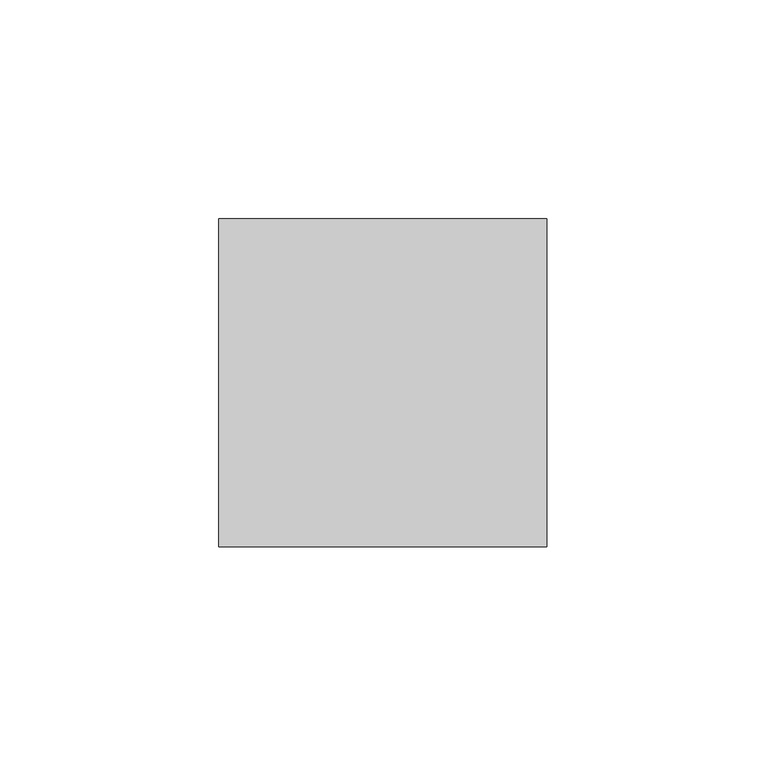
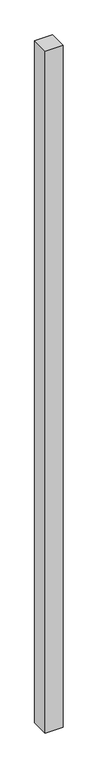
"""IFC4 building model written with IfcOpenShell, lengths in millimetres: member geometry."""

from ifc_helpers import new_model, si_unit, frame, origin, place, context, project, spatial, polyline, outline, extrude, source, transform, mapped, element, save


def member_5cef9f0b(model_context):
    return source(origin(), model_context, "Body", "SweptSolid", [
        extrude(outline(polyline([(-37.5, 37.5), (37.5, 37.5), (37.5, -37.5), (-37.5, -37.5), (-37.5, 37.5)])), frame((0.0, 0.0, -3000.0), z_axis=(0.0, 0.0, 1.0), x_axis=(1.0, 0.0, 0.0)), (0.0, 0.0, 1.0), 3000.0),
    ])


if __name__ == "__main__":
    model = new_model("IFC4")
    model_context = context("Model", 3, world=origin())
    ifc_project = project(units=[si_unit("LENGTHUNIT", "METRE", prefix="MILLI")], contexts=[model_context])
    site = spatial("IfcSite", under=ifc_project)
    building = spatial("IfcBuilding", under=site)
    placement = place(None, origin())
    member_shape = member_5cef9f0b(model_context)
    element("IfcMember", 1, at=placement, inside=building, context=model_context, shape_type="MappedRepresentation", body=[
        mapped(member_shape, transform((0.0, 0.0, 0.0), x_axis=(1.0, 0.0, 0.0), y_axis=(0.0, 1.0, 0.0), z_axis=(0.0, 0.0, 1.0))),
    ])
    save(model, "model.ifc")
